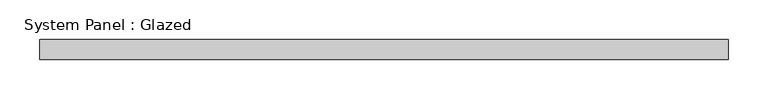
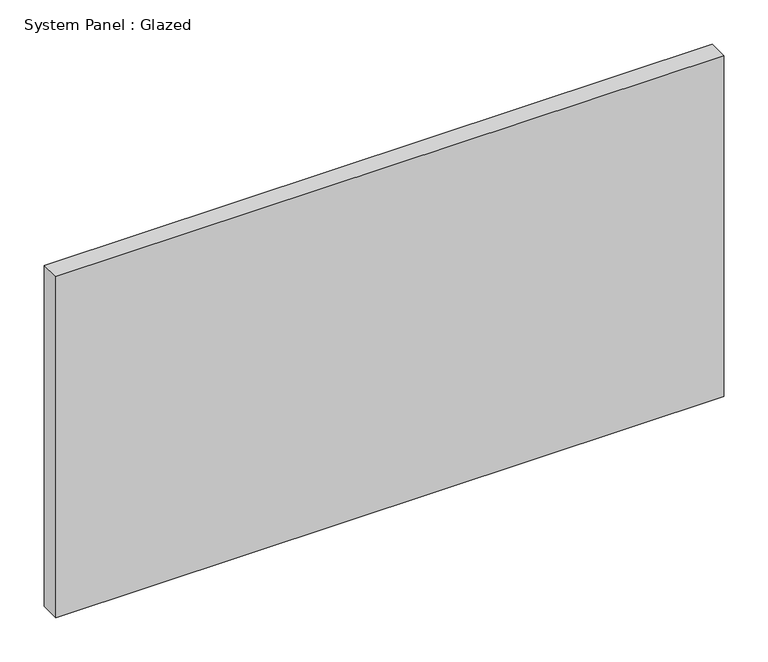
"""IFC4 building model written with IfcOpenShell, lengths in millimetres: plate geometry, System Panel : Glazed."""

from ifc_helpers import new_model, si_unit, origin, origin_with_axes, place, context, project, spatial, polyline, outline, extrude, source, transform, mapped, element, save


def system_panel_glazed_3d361f8d(model_context):
    return source(origin(), model_context, "Body", "SweptSolid", [
        extrude(outline(polyline([(434.975, -12.7), (-434.975, -12.7), (-434.975, 12.7), (434.975, 12.7), (434.975, -12.7)])), origin_with_axes(), (0.0, 0.0, 1.0), 469.9),
    ])


if __name__ == "__main__":
    model = new_model("IFC4")
    model_context = context("Model", 3, world=origin())
    ifc_project = project(units=[si_unit("LENGTHUNIT", "METRE", prefix="MILLI")], contexts=[model_context])
    site = spatial("IfcSite", under=ifc_project)
    building = spatial("IfcBuilding", under=site)
    placement = place(None, origin())
    system_panel_glazed_shape = system_panel_glazed_3d361f8d(model_context)
    element("IfcPlate", 1, ObjectType="System Panel : Glazed", at=placement, inside=building, context=model_context, shape_type="MappedRepresentation", body=[
        mapped(system_panel_glazed_shape, transform((0.0, 0.0, 0.0), x_axis=(1.0, 0.0, 0.0), y_axis=(0.0, 1.0, 0.0), z_axis=(0.0, 0.0, 1.0))),
    ])
    save(model, "model.ifc")
